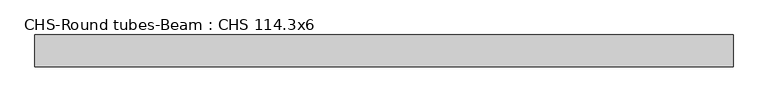
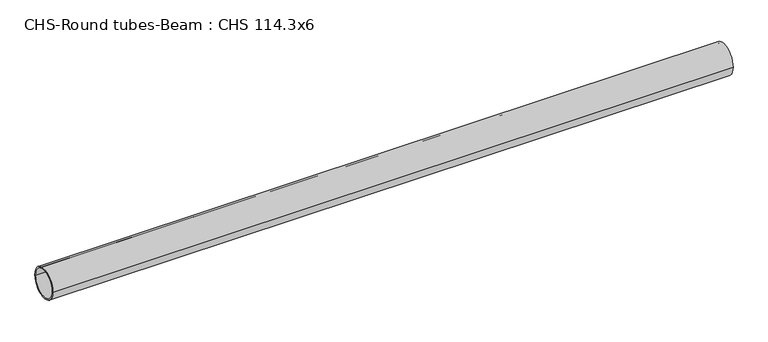
"""IFC4 building model written with IfcOpenShell, lengths in millimetres: beam geometry, CHS-Round tubes-Beam : CHS 114.3x6."""

from ifc_helpers import new_model, si_unit, point, frame, origin, origin_2d, place, context, project, spatial, circle_curve, trimmed, segment, composite_curve, outline, extrude, source, transform, mapped, element, save


def chs_round_tubes_beam_chs_114_3x6_173a69c3(model_context):
    return source(origin(), model_context, "Body", "SweptSolid", [
        extrude(outline(composite_curve([segment(trimmed(circle_curve(origin_2d(), 57.15), [point((57.15, 0.0))], [point((-57.15, 0.0))], False, "CARTESIAN"), True, "CONTINUOUS"), segment(trimmed(circle_curve(origin_2d(), 57.15), [point((-57.15, 0.0))], [point((57.15, 0.0))], False, "CARTESIAN"), True, "CONTINUOUS")], self_intersect=False), holes=[composite_curve([segment(trimmed(circle_curve(origin_2d(), 51.15), [point((51.15, 0.0))], [point((-51.15, 0.0))], True, "CARTESIAN"), True, "CONTINUOUS"), segment(trimmed(circle_curve(origin_2d(), 51.15), [point((-51.15, 0.0))], [point((51.15, 0.0))], True, "CARTESIAN"), True, "CONTINUOUS")], self_intersect=False)]), frame((-1208.5779929, 0.0, 0.0), z_axis=(1.0, 0.0, 0.0), x_axis=(0.0, 1.0, 0.0)), (0.0, 0.0, 1.0), 2505.0944322),
    ])


if __name__ == "__main__":
    model = new_model("IFC4")
    model_context = context("Model", 3, world=origin())
    ifc_project = project(units=[si_unit("LENGTHUNIT", "METRE", prefix="MILLI")], contexts=[model_context])
    site = spatial("IfcSite", under=ifc_project)
    building = spatial("IfcBuilding", under=site)
    placement = place(None, origin())
    chs_round_tubes_beam_chs_114_3x6_shape = chs_round_tubes_beam_chs_114_3x6_173a69c3(model_context)
    element("IfcBeam", 1, ObjectType="CHS-Round tubes-Beam : CHS 114.3x6", at=placement, inside=building, context=model_context, shape_type="MappedRepresentation", body=[
        mapped(chs_round_tubes_beam_chs_114_3x6_shape, transform((0.0, 0.0, 0.0), x_axis=(1.0, 0.0, 0.0), y_axis=(0.0, 1.0, 0.0), z_axis=(0.0, 0.0, 1.0))),
    ])
    save(model, "model.ifc")
